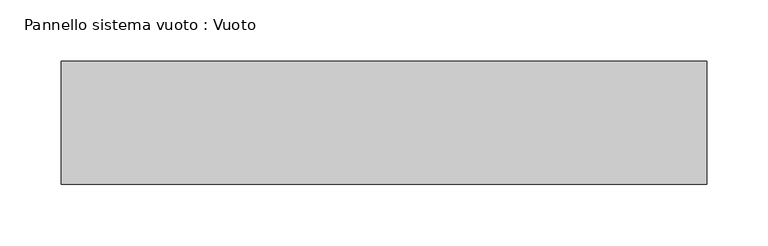
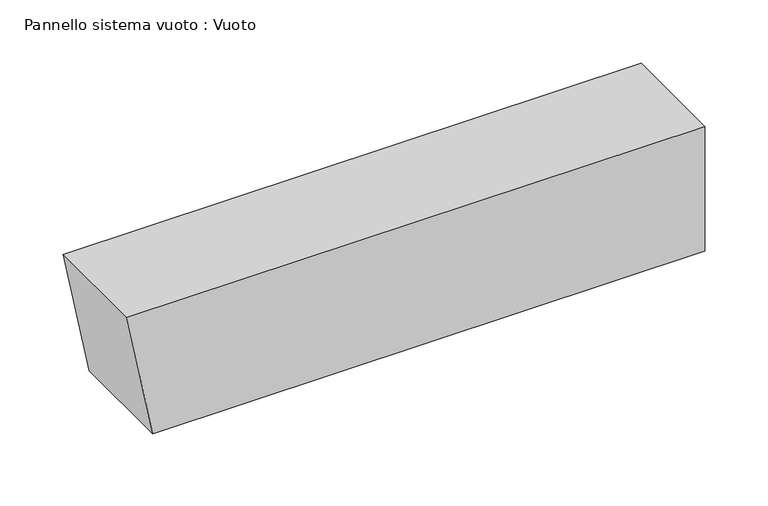
"""IFC4 building model written with IfcOpenShell, lengths in millimetres: plate geometry, Pannello sistema vuoto : Vuoto."""

import ifcopenshell
import ifcopenshell.guid

model = None  # the IFC model being written
_history = None  # IfcOwnerHistory: only IFC2X3 demands one
_inside = {}  # id of a spatial element -> (the spatial element, [elements in it])
_under = {}  # id of a project, library or spatial element -> (it, [spatial elements below it])
_declared = {}  # id of a project -> (the project, [libraries it declares])
_typed = {}  # id of a type object -> (the type object, [elements of that type])
_made_of = {}  # id of a material, layer set ... -> (it, [elements and type objects made of it])


def new_model(schema):
    """Start an empty IFC model of exactly this schema.

    Asked for "IFC4X3", IfcOpenShell would pick the latest addendum, in which some entities
    have other attributes; the version numbers below select the first issue.
    IFC2X3 requires an IfcOwnerHistory on every rooted entity: one is made here for all.
    """
    global model, _history
    if schema == "IFC4X3":
        model = ifcopenshell.file(schema_version=(4, 3, 0, 0))
    else:
        model = ifcopenshell.file(schema=schema)
    _inside.clear()
    _under.clear()
    _declared.clear()
    _typed.clear()
    _made_of.clear()
    _history = None
    if model.schema == "IFC2X3":
        org = make("IfcOrganization", Name="unknown")
        user = make(
            "IfcPersonAndOrganization",
            ThePerson=make("IfcPerson", FamilyName="unknown"),
            TheOrganization=org,
        )
        app = make(
            "IfcApplication",
            ApplicationDeveloper=org,
            Version="unknown",
            ApplicationFullName="unknown",
            ApplicationIdentifier="unknown",
        )
        _history = make(
            "IfcOwnerHistory",
            OwningUser=user,
            OwningApplication=app,
            ChangeAction="ADDED",
            CreationDate=0,
        )
    return model


def make(cls, **values):
    """One entity of the class cls with the attributes given. An attribute that is None is left unset."""
    return model.create_entity(
        cls, **{name: value for name, value in values.items() if value is not None}
    )


def rooted(cls, **values):
    """An entity with a GlobalId (a new one), such as an element, a storey or a relation."""
    return make(cls, GlobalId=ifcopenshell.guid.new(), OwnerHistory=_history, **values)


def si_unit(unit_type, name, prefix=None):
    """IfcSIUnit, for example si_unit("LENGTHUNIT", "METRE", prefix="MILLI")."""
    return make("IfcSIUnit", UnitType=unit_type, Prefix=prefix, Name=name)


def assignment(units):
    """IfcUnitAssignment: the units of a project."""
    return None if units is None else make("IfcUnitAssignment", Units=units)


def point(xyz):
    """IfcCartesianPoint."""
    return None if xyz is None else make("IfcCartesianPoint", Coordinates=xyz)


def direction(xyz):
    """IfcDirection."""
    return None if xyz is None else make("IfcDirection", DirectionRatios=xyz)


def frame(location, z_axis=None, x_axis=None):
    """IfcAxis2Placement3D, a coordinate frame: its origin and axes. An axis left out is left unset."""
    return make(
        "IfcAxis2Placement3D",
        Location=point(location),
        Axis=direction(z_axis),
        RefDirection=direction(x_axis),
    )


def origin():
    """The frame at (0, 0, 0) with its axes left unset."""
    return frame((0.0, 0.0, 0.0))


def place(relative_to, where):
    """IfcLocalPlacement: puts the frame where relative to a parent placement (None: the world)."""
    return make(
        "IfcLocalPlacement", PlacementRelTo=relative_to, RelativePlacement=where
    )


def context(
    kind, dimensions, precision=None, world=None, true_north=None, identifier=None
):
    """IfcGeometricRepresentationContext, for example the 3D "Model" context."""
    return make(
        "IfcGeometricRepresentationContext",
        ContextIdentifier=identifier,
        ContextType=kind,
        CoordinateSpaceDimension=dimensions,
        Precision=precision,
        WorldCoordinateSystem=world,
        TrueNorth=true_north,
    )


def project(units=None, contexts=None):
    """IfcProject with its units and contexts."""
    return rooted(
        "IfcProject",
        Name="project",
        RepresentationContexts=contexts,
        UnitsInContext=assignment(units),
    )


def spatial(cls, under=None, at=None, **own):
    """A site, building, storey or space (cls), placed at a placement, below another one or the project."""
    s = rooted(cls, ObjectPlacement=at, **own)
    if under is not None:
        _under.setdefault(under.id(), (under, []))[1].append(s)
    return s


def polyline(points):
    """IfcPolyline through the points."""
    return make("IfcPolyline", Points=[point(p) for p in points])


def outline(outer, holes=None, kind="AREA"):
    """IfcArbitraryClosedProfileDef: a profile drawn as a closed curve; with holes, ...WithVoids."""
    if holes is None:
        return make("IfcArbitraryClosedProfileDef", ProfileType=kind, OuterCurve=outer)
    return make(
        "IfcArbitraryProfileDefWithVoids",
        ProfileType=kind,
        OuterCurve=outer,
        InnerCurves=holes,
    )


def extrude(swept, where, along, depth):
    """IfcExtrudedAreaSolid: the profile swept, set in the frame where, extruded along a direction by depth."""
    return make(
        "IfcExtrudedAreaSolid",
        SweptArea=swept,
        Position=where,
        ExtrudedDirection=direction(along),
        Depth=depth,
    )


def shape(context_of_items, identifier, shape_type, items):
    """IfcShapeRepresentation: the items that make up one representation, for example the "Body"."""
    return make(
        "IfcShapeRepresentation",
        ContextOfItems=context_of_items,
        RepresentationIdentifier=identifier,
        RepresentationType=shape_type,
        Items=items,
    )


def source(mapping_origin, context_of_items, identifier, shape_type, items):
    """IfcRepresentationMap: a shape defined once, which mapped items show again and again."""
    return make(
        "IfcRepresentationMap",
        MappingOrigin=mapping_origin,
        MappedRepresentation=shape(context_of_items, identifier, shape_type, items),
    )


def transform(
    local_origin,
    x_axis=None,
    y_axis=None,
    z_axis=None,
    scale=None,
    scale2=None,
    scale3=None,
    uniform=True,
):
    """IfcCartesianTransformationOperator3D, or its non-uniform kind. x_axis, y_axis, z_axis: its Axis1, 2, 3."""
    if uniform:
        return make(
            "IfcCartesianTransformationOperator3D",
            Axis1=direction(x_axis),
            Axis2=direction(y_axis),
            LocalOrigin=point(local_origin),
            Scale=scale,
            Axis3=direction(z_axis),
        )
    return make(
        "IfcCartesianTransformationOperator3DnonUniform",
        Axis1=direction(x_axis),
        Axis2=direction(y_axis),
        LocalOrigin=point(local_origin),
        Scale=scale,
        Axis3=direction(z_axis),
        Scale2=scale2,
        Scale3=scale3,
    )


def mapped(mapping_source, mapping_target):
    """IfcMappedItem: shows the shape of a source again, moved by a transform."""
    return make(
        "IfcMappedItem", MappingSource=mapping_source, MappingTarget=mapping_target
    )


def made_of(thing, what):
    """Note that an element or type object is made of a material, layer set ...; save() writes the relation."""
    if what is not None:
        _made_of.setdefault(what.id(), (what, []))[1].append(thing)
    return thing


def element(
    cls,
    number,
    at=None,
    inside=None,
    cuts=None,
    type_object=None,
    material=None,
    context=None,
    identifier="Body",
    shape_type=None,
    held_by="IfcProductDefinitionShape",
    body=None,
    shapes=None,
    **own,
):
    """One element of the class cls, such as IfcWall. Its Tag is "e" and its number.

    at: its placement. inside: the storey or other place that contains it. cuts: it is an
    opening in that element (IfcRelVoidsElement). A single representation is given by context,
    identifier, shape_type and body (its items); several are given by shapes. held_by: the class
    of the entity that holds the representations. save() writes the other relations.
    """
    e = rooted(cls, Tag="e%d" % number, ObjectPlacement=at, **own)
    if body is not None:
        shapes = [shape(context, identifier, shape_type, body)]
    if shapes is not None:
        e.Representation = make(held_by, Representations=shapes)
    if inside is not None:
        _inside.setdefault(inside.id(), (inside, []))[1].append(e)
    if cuts is not None:
        rooted(
            "IfcRelVoidsElement", RelatingBuildingElement=cuts, RelatedOpeningElement=e
        )
    if type_object is not None:
        _typed.setdefault(type_object.id(), (type_object, []))[1].append(e)
    return made_of(e, material)


def aggregate(whole, parts):
    """IfcRelAggregates: a whole, such as a stair, and the parts it consists of."""
    return rooted("IfcRelAggregates", RelatingObject=whole, RelatedObjects=parts)


def save(model, path):
    """Write the relations noted so far, then the file.

    IfcRelAggregates (storeys below a building ...), IfcRelContainedInSpatialStructure (elements
    in a storey), IfcRelDefinesByType, IfcRelAssociatesMaterial and IfcRelDeclares: one each for
    every whole, place, type object, material and project.
    """
    for whole, parts in _under.values():
        aggregate(whole, parts)
    for where, things in _inside.values():
        rooted(
            "IfcRelContainedInSpatialStructure",
            RelatedElements=things,
            RelatingStructure=where,
        )
    for kind, things in _typed.values():
        rooted("IfcRelDefinesByType", RelatedObjects=things, RelatingType=kind)
    for what, things in _made_of.values():
        rooted("IfcRelAssociatesMaterial", RelatedObjects=things, RelatingMaterial=what)
    for by, libraries in _declared.values():
        rooted("IfcRelDeclares", RelatingContext=by, RelatedDefinitions=libraries)
    model.write(path)


def pannello_sistema_vuoto_vuoto_fedfb679(model_context):
    return source(origin(), model_context, "Body", "SweptSolid", [
        extrude(outline(polyline([(0.0, -239.3189724), (0.0, 262.6446095), (120.0, 262.6446095), (120.0, -262.6446095), (0.0, -239.3189724)])), frame((0.0, 50.0, 0.0), z_axis=(0.0, 1.0, 0.0), x_axis=(0.0, 0.0, 1.0)), (0.0, 0.0, 1.0), 100.0),
    ])


if __name__ == "__main__":
    model = new_model("IFC4")
    model_context = context("Model", 3, world=origin())
    ifc_project = project(units=[si_unit("LENGTHUNIT", "METRE", prefix="MILLI")], contexts=[model_context])
    site = spatial("IfcSite", under=ifc_project)
    building = spatial("IfcBuilding", under=site)
    placement = place(None, origin())
    pannello_sistema_vuoto_vuoto_shape = pannello_sistema_vuoto_vuoto_fedfb679(model_context)
    element("IfcPlate", 1, ObjectType="Pannello sistema vuoto : Vuoto", at=placement, inside=building, context=model_context, shape_type="MappedRepresentation", body=[
        mapped(pannello_sistema_vuoto_vuoto_shape, transform((0.0, 0.0, 0.0), x_axis=(1.0, 0.0, 0.0), y_axis=(0.0, 1.0, 0.0), z_axis=(0.0, 0.0, 1.0))),
    ])
    save(model, "model.ifc")
